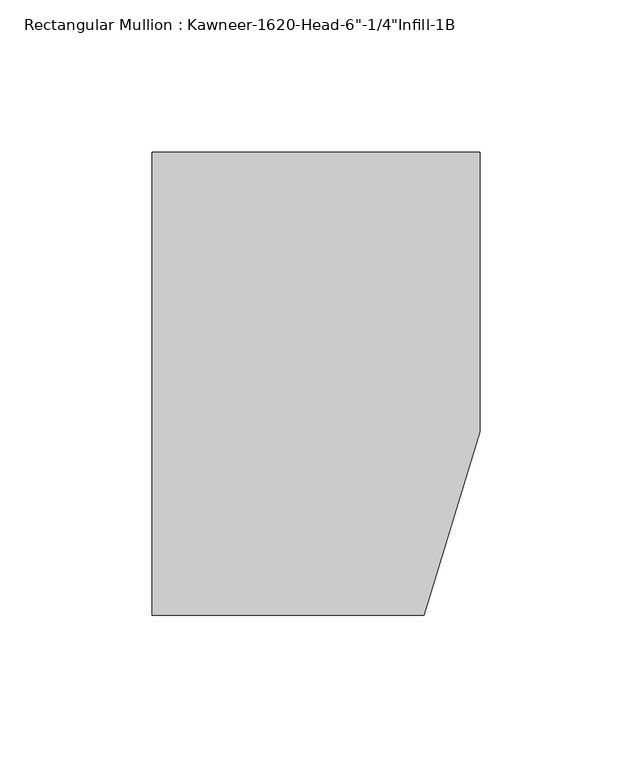
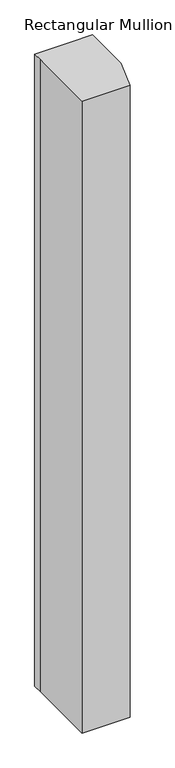
"""IFC4 building model written with IfcOpenShell, lengths in millimetres: member geometry."""

from ifc_helpers import new_model, si_unit, frame, origin, place, context, project, spatial, polyline, outline, extrude, source, transform, mapped, element, save


def member_7b37b666(model_context):
    return source(origin(), model_context, "Body", "SweptSolid", [
        extrude(outline(polyline([(-107.95, 10.3845466), (-107.95, 28.575), (-44.1519366, 28.575), (0.0, 28.575), (0.0, -63.5), (-18.3538271, -123.825), (-107.95, -123.825), (-107.95, 10.3845466)])), frame((0.0, 0.0, -1244.3876074), z_axis=(0.0, 0.0, 1.0), x_axis=(1.0, 0.0, 0.0)), (0.0, 0.0, 1.0), 1244.3876074),
    ])


if __name__ == "__main__":
    model = new_model("IFC4")
    model_context = context("Model", 3, world=origin())
    ifc_project = project(units=[si_unit("LENGTHUNIT", "METRE", prefix="MILLI")], contexts=[model_context])
    site = spatial("IfcSite", under=ifc_project)
    building = spatial("IfcBuilding", under=site)
    placement = place(None, origin())
    member_shape = member_7b37b666(model_context)
    element("IfcMember", 1, ObjectType="Rectangular Mullion : Kawneer-1620-Head-6\"-1/4\"Infill-1B", at=placement, inside=building, context=model_context, shape_type="MappedRepresentation", body=[
        mapped(member_shape, transform((0.0, 0.0, 0.0), x_axis=(1.0, 0.0, 0.0), y_axis=(0.0, 1.0, 0.0), z_axis=(0.0, 0.0, 1.0))),
    ])
    save(model, "model.ifc")
